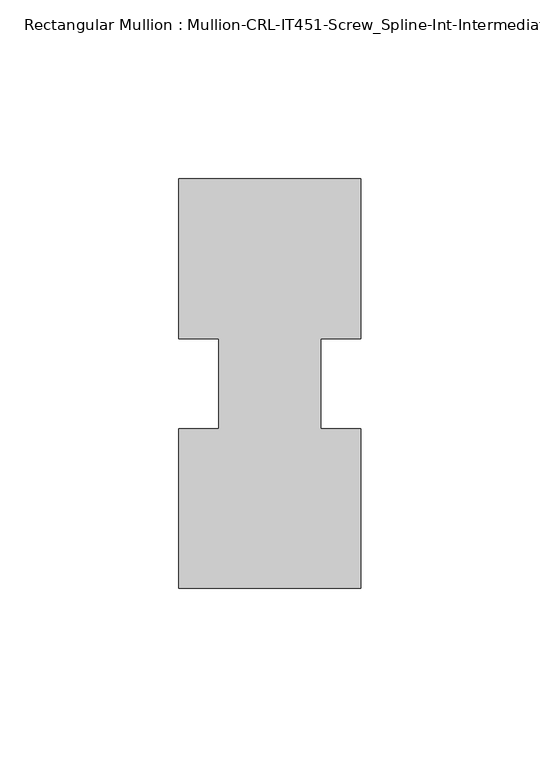
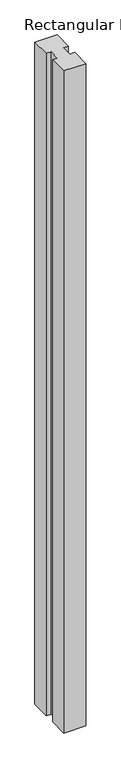
"""IFC4 building model written with IfcOpenShell, lengths in millimetres: member geometry, Rectangular Mullion : Mullion-CRL-IT451-Screw_Spline-Int-Intermediate_Horizontal."""

import ifcopenshell
import ifcopenshell.guid

model = None  # the IFC model being written
_history = None  # IfcOwnerHistory: only IFC2X3 demands one
_inside = {}  # id of a spatial element -> (the spatial element, [elements in it])
_under = {}  # id of a project, library or spatial element -> (it, [spatial elements below it])
_declared = {}  # id of a project -> (the project, [libraries it declares])
_typed = {}  # id of a type object -> (the type object, [elements of that type])
_made_of = {}  # id of a material, layer set ... -> (it, [elements and type objects made of it])


def new_model(schema):
    """Start an empty IFC model of exactly this schema.

    Asked for "IFC4X3", IfcOpenShell would pick the latest addendum, in which some entities
    have other attributes; the version numbers below select the first issue.
    IFC2X3 requires an IfcOwnerHistory on every rooted entity: one is made here for all.
    """
    global model, _history
    if schema == "IFC4X3":
        model = ifcopenshell.file(schema_version=(4, 3, 0, 0))
    else:
        model = ifcopenshell.file(schema=schema)
    _inside.clear()
    _under.clear()
    _declared.clear()
    _typed.clear()
    _made_of.clear()
    _history = None
    if model.schema == "IFC2X3":
        org = make("IfcOrganization", Name="unknown")
        user = make(
            "IfcPersonAndOrganization",
            ThePerson=make("IfcPerson", FamilyName="unknown"),
            TheOrganization=org,
        )
        app = make(
            "IfcApplication",
            ApplicationDeveloper=org,
            Version="unknown",
            ApplicationFullName="unknown",
            ApplicationIdentifier="unknown",
        )
        _history = make(
            "IfcOwnerHistory",
            OwningUser=user,
            OwningApplication=app,
            ChangeAction="ADDED",
            CreationDate=0,
        )
    return model


def make(cls, **values):
    """One entity of the class cls with the attributes given. An attribute that is None is left unset."""
    return model.create_entity(
        cls, **{name: value for name, value in values.items() if value is not None}
    )


def rooted(cls, **values):
    """An entity with a GlobalId (a new one), such as an element, a storey or a relation."""
    return make(cls, GlobalId=ifcopenshell.guid.new(), OwnerHistory=_history, **values)


def si_unit(unit_type, name, prefix=None):
    """IfcSIUnit, for example si_unit("LENGTHUNIT", "METRE", prefix="MILLI")."""
    return make("IfcSIUnit", UnitType=unit_type, Prefix=prefix, Name=name)


def assignment(units):
    """IfcUnitAssignment: the units of a project."""
    return None if units is None else make("IfcUnitAssignment", Units=units)


def point(xyz):
    """IfcCartesianPoint."""
    return None if xyz is None else make("IfcCartesianPoint", Coordinates=xyz)


def direction(xyz):
    """IfcDirection."""
    return None if xyz is None else make("IfcDirection", DirectionRatios=xyz)


def frame(location, z_axis=None, x_axis=None):
    """IfcAxis2Placement3D, a coordinate frame: its origin and axes. An axis left out is left unset."""
    return make(
        "IfcAxis2Placement3D",
        Location=point(location),
        Axis=direction(z_axis),
        RefDirection=direction(x_axis),
    )


def origin():
    """The frame at (0, 0, 0) with its axes left unset."""
    return frame((0.0, 0.0, 0.0))


def place(relative_to, where):
    """IfcLocalPlacement: puts the frame where relative to a parent placement (None: the world)."""
    return make(
        "IfcLocalPlacement", PlacementRelTo=relative_to, RelativePlacement=where
    )


def context(
    kind, dimensions, precision=None, world=None, true_north=None, identifier=None
):
    """IfcGeometricRepresentationContext, for example the 3D "Model" context."""
    return make(
        "IfcGeometricRepresentationContext",
        ContextIdentifier=identifier,
        ContextType=kind,
        CoordinateSpaceDimension=dimensions,
        Precision=precision,
        WorldCoordinateSystem=world,
        TrueNorth=true_north,
    )


def project(units=None, contexts=None):
    """IfcProject with its units and contexts."""
    return rooted(
        "IfcProject",
        Name="project",
        RepresentationContexts=contexts,
        UnitsInContext=assignment(units),
    )


def spatial(cls, under=None, at=None, **own):
    """A site, building, storey or space (cls), placed at a placement, below another one or the project."""
    s = rooted(cls, ObjectPlacement=at, **own)
    if under is not None:
        _under.setdefault(under.id(), (under, []))[1].append(s)
    return s


def polyline(points):
    """IfcPolyline through the points."""
    return make("IfcPolyline", Points=[point(p) for p in points])


def outline(outer, holes=None, kind="AREA"):
    """IfcArbitraryClosedProfileDef: a profile drawn as a closed curve; with holes, ...WithVoids."""
    if holes is None:
        return make("IfcArbitraryClosedProfileDef", ProfileType=kind, OuterCurve=outer)
    return make(
        "IfcArbitraryProfileDefWithVoids",
        ProfileType=kind,
        OuterCurve=outer,
        InnerCurves=holes,
    )


def extrude(swept, where, along, depth):
    """IfcExtrudedAreaSolid: the profile swept, set in the frame where, extruded along a direction by depth."""
    return make(
        "IfcExtrudedAreaSolid",
        SweptArea=swept,
        Position=where,
        ExtrudedDirection=direction(along),
        Depth=depth,
    )


def shape(context_of_items, identifier, shape_type, items):
    """IfcShapeRepresentation: the items that make up one representation, for example the "Body"."""
    return make(
        "IfcShapeRepresentation",
        ContextOfItems=context_of_items,
        RepresentationIdentifier=identifier,
        RepresentationType=shape_type,
        Items=items,
    )


def source(mapping_origin, context_of_items, identifier, shape_type, items):
    """IfcRepresentationMap: a shape defined once, which mapped items show again and again."""
    return make(
        "IfcRepresentationMap",
        MappingOrigin=mapping_origin,
        MappedRepresentation=shape(context_of_items, identifier, shape_type, items),
    )


def transform(
    local_origin,
    x_axis=None,
    y_axis=None,
    z_axis=None,
    scale=None,
    scale2=None,
    scale3=None,
    uniform=True,
):
    """IfcCartesianTransformationOperator3D, or its non-uniform kind. x_axis, y_axis, z_axis: its Axis1, 2, 3."""
    if uniform:
        return make(
            "IfcCartesianTransformationOperator3D",
            Axis1=direction(x_axis),
            Axis2=direction(y_axis),
            LocalOrigin=point(local_origin),
            Scale=scale,
            Axis3=direction(z_axis),
        )
    return make(
        "IfcCartesianTransformationOperator3DnonUniform",
        Axis1=direction(x_axis),
        Axis2=direction(y_axis),
        LocalOrigin=point(local_origin),
        Scale=scale,
        Axis3=direction(z_axis),
        Scale2=scale2,
        Scale3=scale3,
    )


def mapped(mapping_source, mapping_target):
    """IfcMappedItem: shows the shape of a source again, moved by a transform."""
    return make(
        "IfcMappedItem", MappingSource=mapping_source, MappingTarget=mapping_target
    )


def made_of(thing, what):
    """Note that an element or type object is made of a material, layer set ...; save() writes the relation."""
    if what is not None:
        _made_of.setdefault(what.id(), (what, []))[1].append(thing)
    return thing


def element(
    cls,
    number,
    at=None,
    inside=None,
    cuts=None,
    type_object=None,
    material=None,
    context=None,
    identifier="Body",
    shape_type=None,
    held_by="IfcProductDefinitionShape",
    body=None,
    shapes=None,
    **own,
):
    """One element of the class cls, such as IfcWall. Its Tag is "e" and its number.

    at: its placement. inside: the storey or other place that contains it. cuts: it is an
    opening in that element (IfcRelVoidsElement). A single representation is given by context,
    identifier, shape_type and body (its items); several are given by shapes. held_by: the class
    of the entity that holds the representations. save() writes the other relations.
    """
    e = rooted(cls, Tag="e%d" % number, ObjectPlacement=at, **own)
    if body is not None:
        shapes = [shape(context, identifier, shape_type, body)]
    if shapes is not None:
        e.Representation = make(held_by, Representations=shapes)
    if inside is not None:
        _inside.setdefault(inside.id(), (inside, []))[1].append(e)
    if cuts is not None:
        rooted(
            "IfcRelVoidsElement", RelatingBuildingElement=cuts, RelatedOpeningElement=e
        )
    if type_object is not None:
        _typed.setdefault(type_object.id(), (type_object, []))[1].append(e)
    return made_of(e, material)


def aggregate(whole, parts):
    """IfcRelAggregates: a whole, such as a stair, and the parts it consists of."""
    return rooted("IfcRelAggregates", RelatingObject=whole, RelatedObjects=parts)


def save(model, path):
    """Write the relations noted so far, then the file.

    IfcRelAggregates (storeys below a building ...), IfcRelContainedInSpatialStructure (elements
    in a storey), IfcRelDefinesByType, IfcRelAssociatesMaterial and IfcRelDeclares: one each for
    every whole, place, type object, material and project.
    """
    for whole, parts in _under.values():
        aggregate(whole, parts)
    for where, things in _inside.values():
        rooted(
            "IfcRelContainedInSpatialStructure",
            RelatedElements=things,
            RelatingStructure=where,
        )
    for kind, things in _typed.values():
        rooted("IfcRelDefinesByType", RelatedObjects=things, RelatingType=kind)
    for what, things in _made_of.values():
        rooted("IfcRelAssociatesMaterial", RelatedObjects=things, RelatingMaterial=what)
    for by, libraries in _declared.values():
        rooted("IfcRelDeclares", RelatingContext=by, RelatedDefinitions=libraries)
    model.write(path)


def rectangular_mullion_mullion_crl_it451_screw_spline_int_214d9cc4(model_context):
    return source(origin(), model_context, "Body", "SweptSolid", [
        extrude(outline(polyline([(25.4, -57.15), (-25.4, -57.15), (-25.4, -12.7), (-14.2875, -12.7), (-14.2875, 12.5476134), (-25.4, 12.5476134), (-25.4, 57.15), (25.4, 57.15), (25.4, 12.5476134), (14.2875, 12.5476134), (14.2875, -12.7), (25.4, -12.7), (25.4, -57.15)])), frame((0.0, 0.0, -1603.375), z_axis=(0.0, 0.0, 1.0), x_axis=(1.0, 0.0, 0.0)), (0.0, 0.0, 1.0), 1603.375),
    ])


if __name__ == "__main__":
    model = new_model("IFC4")
    model_context = context("Model", 3, world=origin())
    ifc_project = project(units=[si_unit("LENGTHUNIT", "METRE", prefix="MILLI")], contexts=[model_context])
    site = spatial("IfcSite", under=ifc_project)
    building = spatial("IfcBuilding", under=site)
    placement = place(None, origin())
    rectangular_mullion_mullion_crl_it451_screw_spline_int_shape = rectangular_mullion_mullion_crl_it451_screw_spline_int_214d9cc4(model_context)
    element("IfcMember", 1, ObjectType="Rectangular Mullion : Mullion-CRL-IT451-Screw_Spline-Int-Intermediate_Horizontal", at=placement, inside=building, context=model_context, shape_type="MappedRepresentation", body=[
        mapped(rectangular_mullion_mullion_crl_it451_screw_spline_int_shape, transform((0.0, 0.0, 0.0), x_axis=(1.0, 0.0, 0.0), y_axis=(0.0, 1.0, 0.0), z_axis=(0.0, 0.0, 1.0))),
    ])
    save(model, "model.ifc")
